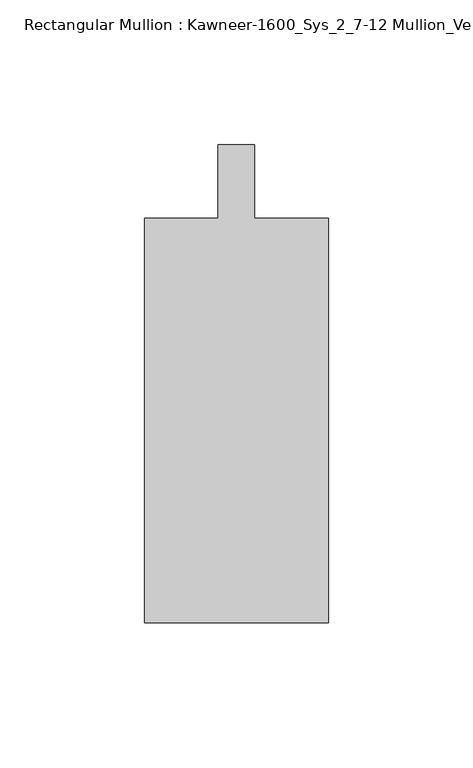
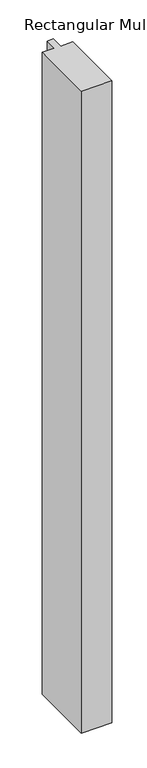
"""IFC4 building model written with IfcOpenShell, lengths in millimetres: member geometry, Rectangular Mullion : Kawneer-1600_Sys_2_7-12 Mullion_Vertical."""

from ifc_helpers import new_model, si_unit, frame, origin, place, context, project, spatial, polyline, outline, extrude, source, transform, mapped, element, save


def rectangular_mullion_kawneer_1600_sys_2_7_12_mullion_vertical_09d66129(model_context):
    return source(origin(), model_context, "Body", "SweptSolid", [
        extrude(outline(polyline([(36.0844027, -152.4), (-27.4155973, -152.4), (-27.4155973, -12.7), (-2.0155973, -12.7), (-2.0155973, 12.7), (10.6844027, 12.7), (10.6844027, -12.7), (36.0844027, -12.7), (36.0844027, -152.4)])), frame((0.0, 0.0, -1399.54), z_axis=(0.0, 0.0, 1.0), x_axis=(1.0, 0.0, 0.0)), (0.0, 0.0, 1.0), 1399.54),
    ])


if __name__ == "__main__":
    model = new_model("IFC4")
    model_context = context("Model", 3, world=origin())
    ifc_project = project(units=[si_unit("LENGTHUNIT", "METRE", prefix="MILLI")], contexts=[model_context])
    site = spatial("IfcSite", under=ifc_project)
    building = spatial("IfcBuilding", under=site)
    placement = place(None, origin())
    rectangular_mullion_kawneer_1600_sys_2_7_12_mullion_vertical_shape = rectangular_mullion_kawneer_1600_sys_2_7_12_mullion_vertical_09d66129(model_context)
    element("IfcMember", 1, ObjectType="Rectangular Mullion : Kawneer-1600_Sys_2_7-12 Mullion_Vertical", at=placement, inside=building, context=model_context, shape_type="MappedRepresentation", body=[
        mapped(rectangular_mullion_kawneer_1600_sys_2_7_12_mullion_vertical_shape, transform((0.0, 0.0, 0.0), x_axis=(1.0, 0.0, 0.0), y_axis=(0.0, 1.0, 0.0), z_axis=(0.0, 0.0, 1.0))),
    ])
    save(model, "model.ifc")
